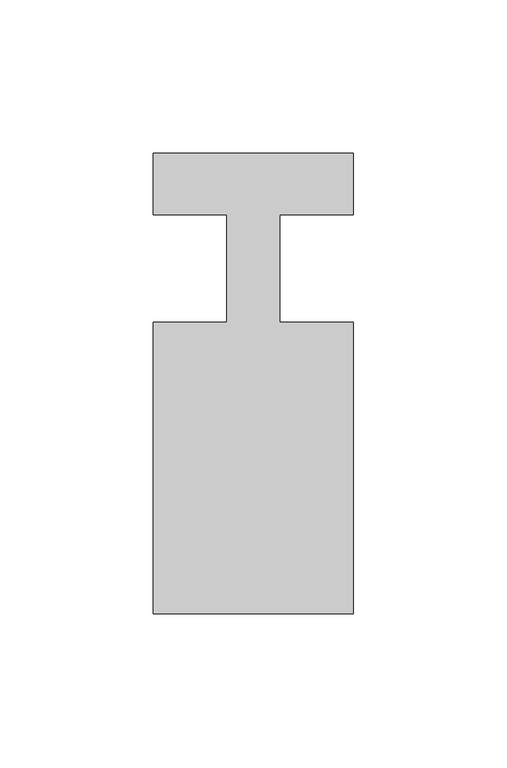
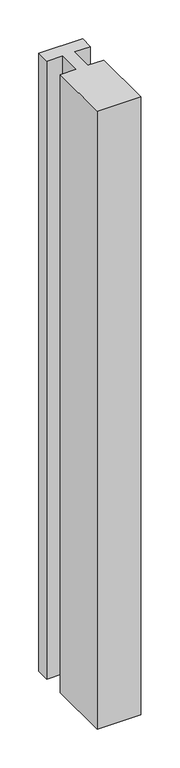
"""IFC4 building model written with IfcOpenShell, lengths in millimetres: member geometry."""

from ifc_helpers import new_model, si_unit, frame, origin, place, context, project, spatial, polyline, outline, extrude, source, transform, mapped, element, save


def member_a3c667eb(model_context):
    return source(origin(), model_context, "Body", "SweptSolid", [
        extrude(outline(polyline([(-65.0, 37.0), (0.0, 37.0), (0.0, 17.0), (-23.8125, 17.0), (-23.8125, -18.0), (0.0, -18.0), (0.0, -113.0), (-65.0, -113.0), (-65.0, -18.0), (-41.1875, -18.0), (-41.1875, 17.0), (-65.0, 17.0), (-65.0, 37.0)])), frame((0.0, 0.0, -971.5982143), z_axis=(0.0, 0.0, 1.0), x_axis=(1.0, 0.0, 0.0)), (0.0, 0.0, 1.0), 971.5982143),
    ])


if __name__ == "__main__":
    model = new_model("IFC4")
    model_context = context("Model", 3, world=origin())
    ifc_project = project(units=[si_unit("LENGTHUNIT", "METRE", prefix="MILLI")], contexts=[model_context])
    site = spatial("IfcSite", under=ifc_project)
    building = spatial("IfcBuilding", under=site)
    placement = place(None, origin())
    member_shape = member_a3c667eb(model_context)
    element("IfcMember", 1, at=placement, inside=building, context=model_context, shape_type="MappedRepresentation", body=[
        mapped(member_shape, transform((0.0, 0.0, 0.0), x_axis=(1.0, 0.0, 0.0), y_axis=(0.0, 1.0, 0.0), z_axis=(0.0, 0.0, 1.0))),
    ])
    save(model, "model.ifc")
